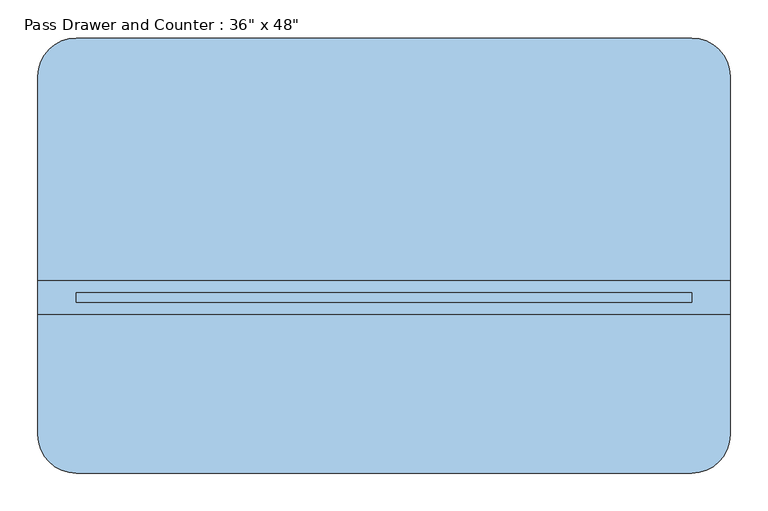
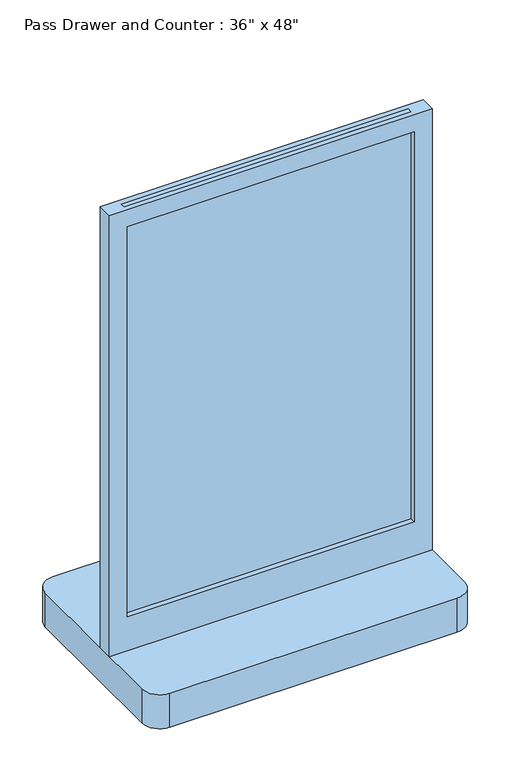
"""IFC4 building model written with IfcOpenShell, lengths in millimetres: window geometry."""

from ifc_helpers import new_model, si_unit, point, frame, frame_2d, origin, place, context, project, spatial, polyline, circle_curve, trimmed, segment, composite_curve, outline, extrude, source, transform, mapped, element, save


def window_5498ac6e(model_context):
    return source(origin(), model_context, "Body", "SweptSolid", [
        extrude(outline(polyline([(368.3, -49.2125), (368.3, -61.9125), (-444.5, -61.9125), (-444.5, -49.2125), (368.3, -49.2125)])), frame((0.0, 0.0, 1016.0), z_axis=(0.0, 0.0, 1.0), x_axis=(1.0, 0.0, 0.0)), (0.0, 0.0, 1.0), 1219.2),
        extrude(outline(polyline([(2235.2, -495.3), (914.4, -495.3), (914.4, 419.1), (2235.2, 419.1), (2235.2, -495.3)]), holes=[polyline([(2184.4, -444.5), (2184.4, 368.3), (1016.0, 368.3), (1016.0, -444.5), (2184.4, -444.5)])]), frame((0.0, -77.7875, 0.0), z_axis=(0.0, 1.0, 0.0), x_axis=(0.0, 0.0, 1.0)), (0.0, 0.0, 1.0), 44.45),
        extrude(outline(composite_curve([segment(polyline([(368.3, -287.3375), (-444.5, -287.3375)]), True, "CONTINUOUS"), segment(trimmed(circle_curve(frame_2d((-444.5, -236.5375)), 50.8), [point((-444.5, -287.3375))], [point((-495.3, -236.5375))], False, "CARTESIAN"), True, "CONTINUOUS"), segment(polyline([(-495.3, -236.5375), (-495.3, 236.5375)]), True, "CONTINUOUS"), segment(trimmed(circle_curve(frame_2d((-444.5, 236.5375)), 50.8), [point((-495.3, 236.5375))], [point((-444.5, 287.3375))], False, "CARTESIAN"), True, "CONTINUOUS"), segment(polyline([(-444.5, 287.3375), (368.3, 287.3375)]), True, "CONTINUOUS"), segment(trimmed(circle_curve(frame_2d((368.3, 236.5375)), 50.8), [point((368.3, 287.3375))], [point((419.1, 236.5375))], False, "CARTESIAN"), True, "CONTINUOUS"), segment(polyline([(419.1, 236.5375), (419.1, -236.5375)]), True, "CONTINUOUS"), segment(trimmed(circle_curve(frame_2d((368.3, -236.5375)), 50.8), [point((419.1, -236.5375))], [point((368.3, -287.3375))], False, "CARTESIAN"), True, "CONTINUOUS")], self_intersect=False)), frame((0.0, 0.0, 812.8), z_axis=(0.0, 0.0, 1.0), x_axis=(1.0, 0.0, 0.0)), (0.0, 0.0, 1.0), 101.6),
    ])


if __name__ == "__main__":
    model = new_model("IFC4")
    model_context = context("Model", 3, world=origin())
    ifc_project = project(units=[si_unit("LENGTHUNIT", "METRE", prefix="MILLI")], contexts=[model_context])
    site = spatial("IfcSite", under=ifc_project)
    building = spatial("IfcBuilding", under=site)
    placement = place(None, origin())
    window_shape = window_5498ac6e(model_context)
    element("IfcWindow", 1, ObjectType="Pass Drawer and Counter : 36\" x 48\"", at=placement, inside=building, context=model_context, shape_type="MappedRepresentation", body=[
        mapped(window_shape, transform((0.0, 0.0, 0.0), x_axis=(1.0, 0.0, 0.0), y_axis=(0.0, 1.0, 0.0), z_axis=(0.0, 0.0, 1.0))),
    ])
    save(model, "model.ifc")
